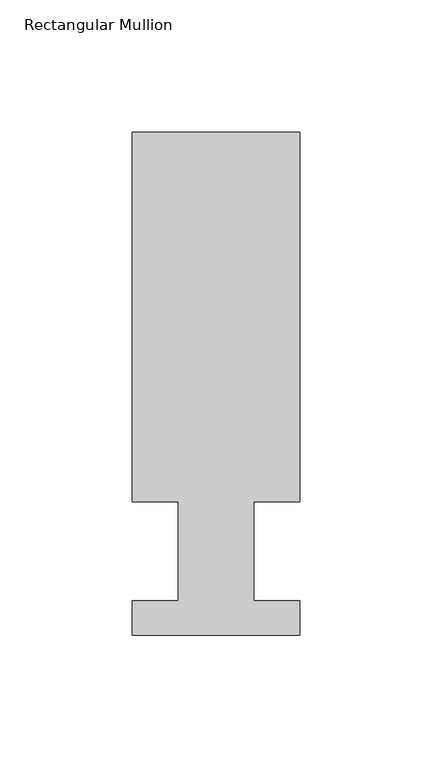
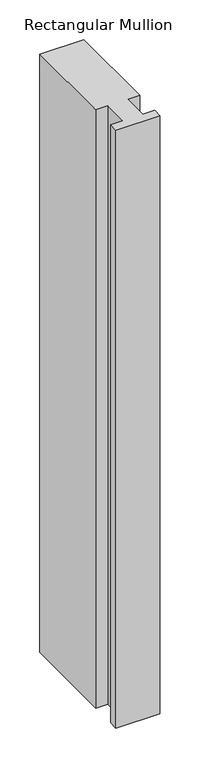
"""IFC4 building model written with IfcOpenShell, lengths in millimetres: member geometry, Rectangular Mullion."""

import ifcopenshell
import ifcopenshell.guid

model = None  # the IFC model being written
_history = None  # IfcOwnerHistory: only IFC2X3 demands one
_inside = {}  # id of a spatial element -> (the spatial element, [elements in it])
_under = {}  # id of a project, library or spatial element -> (it, [spatial elements below it])
_declared = {}  # id of a project -> (the project, [libraries it declares])
_typed = {}  # id of a type object -> (the type object, [elements of that type])
_made_of = {}  # id of a material, layer set ... -> (it, [elements and type objects made of it])


def new_model(schema):
    """Start an empty IFC model of exactly this schema.

    Asked for "IFC4X3", IfcOpenShell would pick the latest addendum, in which some entities
    have other attributes; the version numbers below select the first issue.
    IFC2X3 requires an IfcOwnerHistory on every rooted entity: one is made here for all.
    """
    global model, _history
    if schema == "IFC4X3":
        model = ifcopenshell.file(schema_version=(4, 3, 0, 0))
    else:
        model = ifcopenshell.file(schema=schema)
    _inside.clear()
    _under.clear()
    _declared.clear()
    _typed.clear()
    _made_of.clear()
    _history = None
    if model.schema == "IFC2X3":
        org = make("IfcOrganization", Name="unknown")
        user = make(
            "IfcPersonAndOrganization",
            ThePerson=make("IfcPerson", FamilyName="unknown"),
            TheOrganization=org,
        )
        app = make(
            "IfcApplication",
            ApplicationDeveloper=org,
            Version="unknown",
            ApplicationFullName="unknown",
            ApplicationIdentifier="unknown",
        )
        _history = make(
            "IfcOwnerHistory",
            OwningUser=user,
            OwningApplication=app,
            ChangeAction="ADDED",
            CreationDate=0,
        )
    return model


def make(cls, **values):
    """One entity of the class cls with the attributes given. An attribute that is None is left unset."""
    return model.create_entity(
        cls, **{name: value for name, value in values.items() if value is not None}
    )


def rooted(cls, **values):
    """An entity with a GlobalId (a new one), such as an element, a storey or a relation."""
    return make(cls, GlobalId=ifcopenshell.guid.new(), OwnerHistory=_history, **values)


def si_unit(unit_type, name, prefix=None):
    """IfcSIUnit, for example si_unit("LENGTHUNIT", "METRE", prefix="MILLI")."""
    return make("IfcSIUnit", UnitType=unit_type, Prefix=prefix, Name=name)


def assignment(units):
    """IfcUnitAssignment: the units of a project."""
    return None if units is None else make("IfcUnitAssignment", Units=units)


def point(xyz):
    """IfcCartesianPoint."""
    return None if xyz is None else make("IfcCartesianPoint", Coordinates=xyz)


def direction(xyz):
    """IfcDirection."""
    return None if xyz is None else make("IfcDirection", DirectionRatios=xyz)


def frame(location, z_axis=None, x_axis=None):
    """IfcAxis2Placement3D, a coordinate frame: its origin and axes. An axis left out is left unset."""
    return make(
        "IfcAxis2Placement3D",
        Location=point(location),
        Axis=direction(z_axis),
        RefDirection=direction(x_axis),
    )


def origin():
    """The frame at (0, 0, 0) with its axes left unset."""
    return frame((0.0, 0.0, 0.0))


def place(relative_to, where):
    """IfcLocalPlacement: puts the frame where relative to a parent placement (None: the world)."""
    return make(
        "IfcLocalPlacement", PlacementRelTo=relative_to, RelativePlacement=where
    )


def context(
    kind, dimensions, precision=None, world=None, true_north=None, identifier=None
):
    """IfcGeometricRepresentationContext, for example the 3D "Model" context."""
    return make(
        "IfcGeometricRepresentationContext",
        ContextIdentifier=identifier,
        ContextType=kind,
        CoordinateSpaceDimension=dimensions,
        Precision=precision,
        WorldCoordinateSystem=world,
        TrueNorth=true_north,
    )


def project(units=None, contexts=None):
    """IfcProject with its units and contexts."""
    return rooted(
        "IfcProject",
        Name="project",
        RepresentationContexts=contexts,
        UnitsInContext=assignment(units),
    )


def spatial(cls, under=None, at=None, **own):
    """A site, building, storey or space (cls), placed at a placement, below another one or the project."""
    s = rooted(cls, ObjectPlacement=at, **own)
    if under is not None:
        _under.setdefault(under.id(), (under, []))[1].append(s)
    return s


def polyline(points):
    """IfcPolyline through the points."""
    return make("IfcPolyline", Points=[point(p) for p in points])


def outline(outer, holes=None, kind="AREA"):
    """IfcArbitraryClosedProfileDef: a profile drawn as a closed curve; with holes, ...WithVoids."""
    if holes is None:
        return make("IfcArbitraryClosedProfileDef", ProfileType=kind, OuterCurve=outer)
    return make(
        "IfcArbitraryProfileDefWithVoids",
        ProfileType=kind,
        OuterCurve=outer,
        InnerCurves=holes,
    )


def extrude(swept, where, along, depth):
    """IfcExtrudedAreaSolid: the profile swept, set in the frame where, extruded along a direction by depth."""
    return make(
        "IfcExtrudedAreaSolid",
        SweptArea=swept,
        Position=where,
        ExtrudedDirection=direction(along),
        Depth=depth,
    )


def shape(context_of_items, identifier, shape_type, items):
    """IfcShapeRepresentation: the items that make up one representation, for example the "Body"."""
    return make(
        "IfcShapeRepresentation",
        ContextOfItems=context_of_items,
        RepresentationIdentifier=identifier,
        RepresentationType=shape_type,
        Items=items,
    )


def source(mapping_origin, context_of_items, identifier, shape_type, items):
    """IfcRepresentationMap: a shape defined once, which mapped items show again and again."""
    return make(
        "IfcRepresentationMap",
        MappingOrigin=mapping_origin,
        MappedRepresentation=shape(context_of_items, identifier, shape_type, items),
    )


def transform(
    local_origin,
    x_axis=None,
    y_axis=None,
    z_axis=None,
    scale=None,
    scale2=None,
    scale3=None,
    uniform=True,
):
    """IfcCartesianTransformationOperator3D, or its non-uniform kind. x_axis, y_axis, z_axis: its Axis1, 2, 3."""
    if uniform:
        return make(
            "IfcCartesianTransformationOperator3D",
            Axis1=direction(x_axis),
            Axis2=direction(y_axis),
            LocalOrigin=point(local_origin),
            Scale=scale,
            Axis3=direction(z_axis),
        )
    return make(
        "IfcCartesianTransformationOperator3DnonUniform",
        Axis1=direction(x_axis),
        Axis2=direction(y_axis),
        LocalOrigin=point(local_origin),
        Scale=scale,
        Axis3=direction(z_axis),
        Scale2=scale2,
        Scale3=scale3,
    )


def mapped(mapping_source, mapping_target):
    """IfcMappedItem: shows the shape of a source again, moved by a transform."""
    return make(
        "IfcMappedItem", MappingSource=mapping_source, MappingTarget=mapping_target
    )


def made_of(thing, what):
    """Note that an element or type object is made of a material, layer set ...; save() writes the relation."""
    if what is not None:
        _made_of.setdefault(what.id(), (what, []))[1].append(thing)
    return thing


def element(
    cls,
    number,
    at=None,
    inside=None,
    cuts=None,
    type_object=None,
    material=None,
    context=None,
    identifier="Body",
    shape_type=None,
    held_by="IfcProductDefinitionShape",
    body=None,
    shapes=None,
    **own,
):
    """One element of the class cls, such as IfcWall. Its Tag is "e" and its number.

    at: its placement. inside: the storey or other place that contains it. cuts: it is an
    opening in that element (IfcRelVoidsElement). A single representation is given by context,
    identifier, shape_type and body (its items); several are given by shapes. held_by: the class
    of the entity that holds the representations. save() writes the other relations.
    """
    e = rooted(cls, Tag="e%d" % number, ObjectPlacement=at, **own)
    if body is not None:
        shapes = [shape(context, identifier, shape_type, body)]
    if shapes is not None:
        e.Representation = make(held_by, Representations=shapes)
    if inside is not None:
        _inside.setdefault(inside.id(), (inside, []))[1].append(e)
    if cuts is not None:
        rooted(
            "IfcRelVoidsElement", RelatingBuildingElement=cuts, RelatedOpeningElement=e
        )
    if type_object is not None:
        _typed.setdefault(type_object.id(), (type_object, []))[1].append(e)
    return made_of(e, material)


def aggregate(whole, parts):
    """IfcRelAggregates: a whole, such as a stair, and the parts it consists of."""
    return rooted("IfcRelAggregates", RelatingObject=whole, RelatedObjects=parts)


def save(model, path):
    """Write the relations noted so far, then the file.

    IfcRelAggregates (storeys below a building ...), IfcRelContainedInSpatialStructure (elements
    in a storey), IfcRelDefinesByType, IfcRelAssociatesMaterial and IfcRelDeclares: one each for
    every whole, place, type object, material and project.
    """
    for whole, parts in _under.values():
        aggregate(whole, parts)
    for where, things in _inside.values():
        rooted(
            "IfcRelContainedInSpatialStructure",
            RelatedElements=things,
            RelatingStructure=where,
        )
    for kind, things in _typed.values():
        rooted("IfcRelDefinesByType", RelatedObjects=things, RelatingType=kind)
    for what, things in _made_of.values():
        rooted("IfcRelAssociatesMaterial", RelatedObjects=things, RelatingMaterial=what)
    for by, libraries in _declared.values():
        rooted("IfcRelDeclares", RelatingContext=by, RelatedDefinitions=libraries)
    model.write(path)


def rectangular_mullion_2419e4a4(model_context):
    return source(origin(), model_context, "Body", "SweptSolid", [
        extrude(outline(polyline([(-31.75, 190.7881312), (31.7500004, 190.7881312), (31.7500004, 50.8087294), (14.2748004, 50.8087294), (14.2748004, 13.3945312), (31.7500004, 13.3945312), (31.7500004, 0.2119312), (-31.7499996, 0.2119312), (-31.7499996, 13.3945312), (-14.2747996, 13.3945312), (-14.2747996, 50.8087294), (-31.75, 50.8087294), (-31.75, 190.7881312)])), frame((0.0, 0.0, -914.4), z_axis=(0.0, 0.0, 1.0), x_axis=(1.0, 0.0, 0.0)), (0.0, 0.0, 1.0), 914.4),
    ])


if __name__ == "__main__":
    model = new_model("IFC4")
    model_context = context("Model", 3, world=origin())
    ifc_project = project(units=[si_unit("LENGTHUNIT", "METRE", prefix="MILLI")], contexts=[model_context])
    site = spatial("IfcSite", under=ifc_project)
    building = spatial("IfcBuilding", under=site)
    placement = place(None, origin())
    rectangular_mullion_shape = rectangular_mullion_2419e4a4(model_context)
    element("IfcMember", 1, ObjectType="Rectangular Mullion", at=placement, inside=building, context=model_context, shape_type="MappedRepresentation", body=[
        mapped(rectangular_mullion_shape, transform((0.0, 0.0, 0.0), x_axis=(1.0, 0.0, 0.0), y_axis=(0.0, 1.0, 0.0), z_axis=(0.0, 0.0, 1.0))),
    ])
    save(model, "model.ifc")
